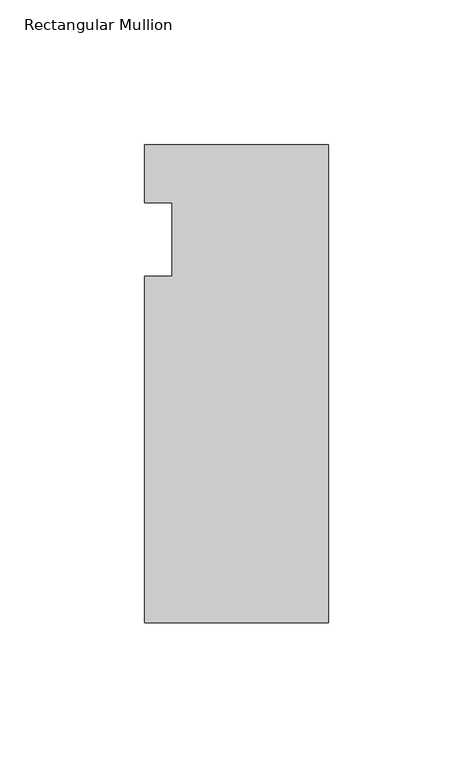
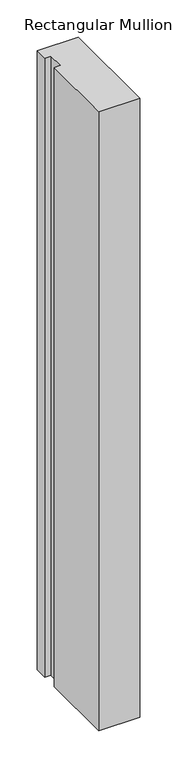
"""IFC4 building model written with IfcOpenShell, lengths in millimetres: member geometry, Rectangular Mullion."""

from ifc_helpers import new_model, si_unit, frame, origin, place, context, project, spatial, polyline, outline, extrude, source, transform, mapped, element, save


def rectangular_mullion_6ce1ad52(model_context):
    return source(origin(), model_context, "Body", "SweptSolid", [
        extrude(outline(polyline([(-63.5, 20.0421875), (0.0, 20.0421875), (0.0, -145.0578125), (-63.5, -145.0578125), (-63.5, -25.4), (-53.975, -25.4), (-53.975, 0.0), (-63.5, 0.0), (-63.5, 20.0421875)])), frame((0.0, 0.0, -1016.0), z_axis=(0.0, 0.0, 1.0), x_axis=(1.0, 0.0, 0.0)), (0.0, 0.0, 1.0), 1016.0),
    ])


if __name__ == "__main__":
    model = new_model("IFC4")
    model_context = context("Model", 3, world=origin())
    ifc_project = project(units=[si_unit("LENGTHUNIT", "METRE", prefix="MILLI")], contexts=[model_context])
    site = spatial("IfcSite", under=ifc_project)
    building = spatial("IfcBuilding", under=site)
    placement = place(None, origin())
    rectangular_mullion_shape = rectangular_mullion_6ce1ad52(model_context)
    element("IfcMember", 1, ObjectType="Rectangular Mullion", at=placement, inside=building, context=model_context, shape_type="MappedRepresentation", body=[
        mapped(rectangular_mullion_shape, transform((0.0, 0.0, 0.0), x_axis=(1.0, 0.0, 0.0), y_axis=(0.0, 1.0, 0.0), z_axis=(0.0, 0.0, 1.0))),
    ])
    save(model, "model.ifc")
